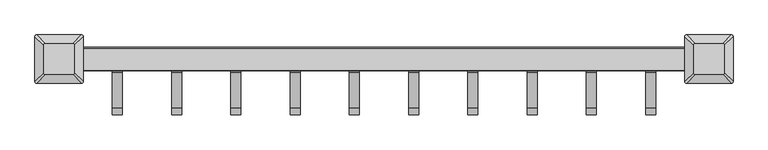
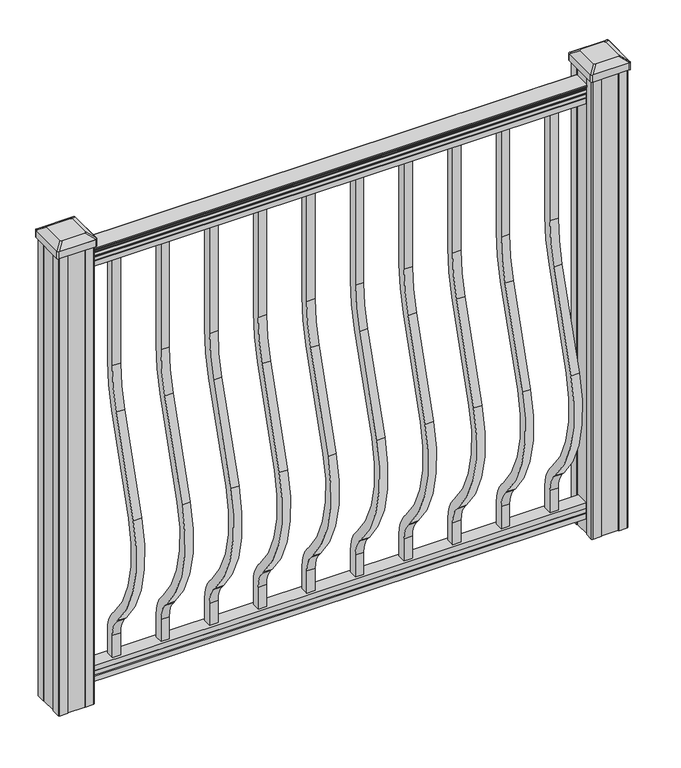
"""IFC4 building model written with IfcOpenShell, lengths in millimetres: proxy geometry."""

from ifc_helpers import new_model, si_unit, point, frame, frame_2d, origin, place, context, project, spatial, polyline, circle_curve, trimmed, segment, composite_curve, outline, extrude, source, transform, mapped, element, save
from ifc_brep_helpers import plane_surface, extruded_surface, advanced_brep


def specialty_equipment_060b37d8(model_context):
    return source(origin(), model_context, "Body", "SolidModel", [
        extrude(outline(composite_curve([segment(polyline([(9.525, 1066.8), (9.525, 806.73216)]), True, "CONTINUOUS"), segment(trimmed(circle_curve(frame_2d((-360.0, 806.73216)), 369.525), [point((9.525, 806.73216))], [point((-6.6214851, 698.6935058))], False, "CARTESIAN"), True, "CONTINUOUS"), segment(polyline([(-6.6214851, 698.6935058), (-74.4487629, 476.8404766)]), True, "CONTINUOUS"), segment(trimmed(circle_curve(frame_2d((184.207766, 397.7612397)), 270.475), [point((-74.4487629, 476.8404766))], [point((-17.4747286, 217.5366659))], True, "CARTESIAN"), True, "CONTINUOUS"), segment(polyline([(-17.4747286, 217.5366659), (-11.9730553, 211.3799518)]), True, "CONTINUOUS"), segment(trimmed(circle_curve(frame_2d((-75.0, 155.0587313)), 84.525), [point((-11.9730553, 211.3799518))], [point((9.525, 155.0587313))], False, "CARTESIAN"), True, "CONTINUOUS"), segment(polyline([(9.525, 155.0587313), (9.525, 101.6), (-9.525, 101.6), (-9.525, 155.0587313)]), True, "CONTINUOUS"), segment(trimmed(circle_curve(frame_2d((-75.0, 155.0587313)), 65.475), [point((-9.525, 155.0587313))], [point((-26.1778858, 198.686438))], True, "CARTESIAN"), True, "CONTINUOUS"), segment(polyline([(-26.1778858, 198.686438), (-31.6795591, 204.8431522)]), True, "CONTINUOUS"), segment(trimmed(circle_curve(frame_2d((184.207766, 397.7612397)), 289.525), [point((-31.6795591, 204.8431522))], [point((-92.6663685, 482.4101576))], False, "CARTESIAN"), True, "CONTINUOUS"), segment(polyline([(-92.6663685, 482.4101576), (-24.8390907, 704.2631868)]), True, "CONTINUOUS"), segment(trimmed(circle_curve(frame_2d((-360.0, 806.73216)), 350.475), [point((-24.8390907, 704.2631868))], [point((-9.525, 806.73216))], True, "CARTESIAN"), True, "CONTINUOUS"), segment(polyline([(-9.525, 806.73216), (-9.525, 1066.8), (9.525, 1066.8)]), True, "CONTINUOUS")], self_intersect=False)), frame((379.4125, 0.0, 0.0), z_axis=(1.0, 0.0, 0.0), x_axis=(0.0, 1.0, 0.0)), (0.0, 0.0, 1.0), 19.05),
        extrude(outline(composite_curve([segment(polyline([(9.525, 1066.8), (9.525, 806.73216)]), True, "CONTINUOUS"), segment(trimmed(circle_curve(frame_2d((-360.0, 806.73216)), 369.525), [point((9.525, 806.73216))], [point((-6.6214851, 698.6935058))], False, "CARTESIAN"), True, "CONTINUOUS"), segment(polyline([(-6.6214851, 698.6935058), (-74.4487629, 476.8404766)]), True, "CONTINUOUS"), segment(trimmed(circle_curve(frame_2d((184.207766, 397.7612397)), 270.475), [point((-74.4487629, 476.8404766))], [point((-17.4747286, 217.5366659))], True, "CARTESIAN"), True, "CONTINUOUS"), segment(polyline([(-17.4747286, 217.5366659), (-11.9730553, 211.3799518)]), True, "CONTINUOUS"), segment(trimmed(circle_curve(frame_2d((-75.0, 155.0587313)), 84.525), [point((-11.9730553, 211.3799518))], [point((9.525, 155.0587313))], False, "CARTESIAN"), True, "CONTINUOUS"), segment(polyline([(9.525, 155.0587313), (9.525, 101.6), (-9.525, 101.6), (-9.525, 155.0587313)]), True, "CONTINUOUS"), segment(trimmed(circle_curve(frame_2d((-75.0, 155.0587313)), 65.475), [point((-9.525, 155.0587313))], [point((-26.1778858, 198.686438))], True, "CARTESIAN"), True, "CONTINUOUS"), segment(polyline([(-26.1778858, 198.686438), (-31.6795591, 204.8431522)]), True, "CONTINUOUS"), segment(trimmed(circle_curve(frame_2d((184.207766, 397.7612397)), 289.525), [point((-31.6795591, 204.8431522))], [point((-92.6663685, 482.4101576))], False, "CARTESIAN"), True, "CONTINUOUS"), segment(polyline([(-92.6663685, 482.4101576), (-24.8390907, 704.2631868)]), True, "CONTINUOUS"), segment(trimmed(circle_curve(frame_2d((-360.0, 806.73216)), 350.475), [point((-24.8390907, 704.2631868))], [point((-9.525, 806.73216))], True, "CARTESIAN"), True, "CONTINUOUS"), segment(polyline([(-9.525, 806.73216), (-9.525, 1066.8), (9.525, 1066.8)]), True, "CONTINUOUS")], self_intersect=False)), frame((268.2875, 0.0, 0.0), z_axis=(1.0, 0.0, 0.0), x_axis=(0.0, 1.0, 0.0)), (0.0, 0.0, 1.0), 19.05),
        extrude(outline(composite_curve([segment(polyline([(9.525, 1066.8), (9.525, 806.73216)]), True, "CONTINUOUS"), segment(trimmed(circle_curve(frame_2d((-360.0, 806.73216)), 369.525), [point((9.525, 806.73216))], [point((-6.6214851, 698.6935058))], False, "CARTESIAN"), True, "CONTINUOUS"), segment(polyline([(-6.6214851, 698.6935058), (-74.4487629, 476.8404766)]), True, "CONTINUOUS"), segment(trimmed(circle_curve(frame_2d((184.207766, 397.7612397)), 270.475), [point((-74.4487629, 476.8404766))], [point((-17.4747286, 217.5366659))], True, "CARTESIAN"), True, "CONTINUOUS"), segment(polyline([(-17.4747286, 217.5366659), (-11.9730553, 211.3799518)]), True, "CONTINUOUS"), segment(trimmed(circle_curve(frame_2d((-75.0, 155.0587313)), 84.525), [point((-11.9730553, 211.3799518))], [point((9.525, 155.0587313))], False, "CARTESIAN"), True, "CONTINUOUS"), segment(polyline([(9.525, 155.0587313), (9.525, 101.6), (-9.525, 101.6), (-9.525, 155.0587313)]), True, "CONTINUOUS"), segment(trimmed(circle_curve(frame_2d((-75.0, 155.0587313)), 65.475), [point((-9.525, 155.0587313))], [point((-26.1778858, 198.686438))], True, "CARTESIAN"), True, "CONTINUOUS"), segment(polyline([(-26.1778858, 198.686438), (-31.6795591, 204.8431522)]), True, "CONTINUOUS"), segment(trimmed(circle_curve(frame_2d((184.207766, 397.7612397)), 289.525), [point((-31.6795591, 204.8431522))], [point((-92.6663685, 482.4101576))], False, "CARTESIAN"), True, "CONTINUOUS"), segment(polyline([(-92.6663685, 482.4101576), (-24.8390907, 704.2631868)]), True, "CONTINUOUS"), segment(trimmed(circle_curve(frame_2d((-360.0, 806.73216)), 350.475), [point((-24.8390907, 704.2631868))], [point((-9.525, 806.73216))], True, "CARTESIAN"), True, "CONTINUOUS"), segment(polyline([(-9.525, 806.73216), (-9.525, 1066.8), (9.525, 1066.8)]), True, "CONTINUOUS")], self_intersect=False)), frame((157.1625, 0.0, 0.0), z_axis=(1.0, 0.0, 0.0), x_axis=(0.0, 1.0, 0.0)), (0.0, 0.0, 1.0), 19.05),
        extrude(outline(composite_curve([segment(polyline([(9.525, 1066.8), (9.525, 806.73216)]), True, "CONTINUOUS"), segment(trimmed(circle_curve(frame_2d((-360.0, 806.73216)), 369.525), [point((9.525, 806.73216))], [point((-6.6214851, 698.6935058))], False, "CARTESIAN"), True, "CONTINUOUS"), segment(polyline([(-6.6214851, 698.6935058), (-74.4487629, 476.8404766)]), True, "CONTINUOUS"), segment(trimmed(circle_curve(frame_2d((184.207766, 397.7612397)), 270.475), [point((-74.4487629, 476.8404766))], [point((-17.4747286, 217.5366659))], True, "CARTESIAN"), True, "CONTINUOUS"), segment(polyline([(-17.4747286, 217.5366659), (-11.9730553, 211.3799518)]), True, "CONTINUOUS"), segment(trimmed(circle_curve(frame_2d((-75.0, 155.0587313)), 84.525), [point((-11.9730553, 211.3799518))], [point((9.525, 155.0587313))], False, "CARTESIAN"), True, "CONTINUOUS"), segment(polyline([(9.525, 155.0587313), (9.525, 101.6), (-9.525, 101.6), (-9.525, 155.0587313)]), True, "CONTINUOUS"), segment(trimmed(circle_curve(frame_2d((-75.0, 155.0587313)), 65.475), [point((-9.525, 155.0587313))], [point((-26.1778858, 198.686438))], True, "CARTESIAN"), True, "CONTINUOUS"), segment(polyline([(-26.1778858, 198.686438), (-31.6795591, 204.8431522)]), True, "CONTINUOUS"), segment(trimmed(circle_curve(frame_2d((184.207766, 397.7612397)), 289.525), [point((-31.6795591, 204.8431522))], [point((-92.6663685, 482.4101576))], False, "CARTESIAN"), True, "CONTINUOUS"), segment(polyline([(-92.6663685, 482.4101576), (-24.8390907, 704.2631868)]), True, "CONTINUOUS"), segment(trimmed(circle_curve(frame_2d((-360.0, 806.73216)), 350.475), [point((-24.8390907, 704.2631868))], [point((-9.525, 806.73216))], True, "CARTESIAN"), True, "CONTINUOUS"), segment(polyline([(-9.525, 806.73216), (-9.525, 1066.8), (9.525, 1066.8)]), True, "CONTINUOUS")], self_intersect=False)), frame((46.0375, 0.0, 0.0), z_axis=(1.0, 0.0, 0.0), x_axis=(0.0, 1.0, 0.0)), (0.0, 0.0, 1.0), 19.05),
        extrude(outline(composite_curve([segment(polyline([(9.525, 1066.8), (9.525, 806.73216)]), True, "CONTINUOUS"), segment(trimmed(circle_curve(frame_2d((-360.0, 806.73216)), 369.525), [point((9.525, 806.73216))], [point((-6.6214851, 698.6935058))], False, "CARTESIAN"), True, "CONTINUOUS"), segment(polyline([(-6.6214851, 698.6935058), (-74.4487629, 476.8404766)]), True, "CONTINUOUS"), segment(trimmed(circle_curve(frame_2d((184.207766, 397.7612397)), 270.475), [point((-74.4487629, 476.8404766))], [point((-17.4747286, 217.5366659))], True, "CARTESIAN"), True, "CONTINUOUS"), segment(polyline([(-17.4747286, 217.5366659), (-11.9730553, 211.3799518)]), True, "CONTINUOUS"), segment(trimmed(circle_curve(frame_2d((-75.0, 155.0587313)), 84.525), [point((-11.9730553, 211.3799518))], [point((9.525, 155.0587313))], False, "CARTESIAN"), True, "CONTINUOUS"), segment(polyline([(9.525, 155.0587313), (9.525, 101.6), (-9.525, 101.6), (-9.525, 155.0587313)]), True, "CONTINUOUS"), segment(trimmed(circle_curve(frame_2d((-75.0, 155.0587313)), 65.475), [point((-9.525, 155.0587313))], [point((-26.1778858, 198.686438))], True, "CARTESIAN"), True, "CONTINUOUS"), segment(polyline([(-26.1778858, 198.686438), (-31.6795591, 204.8431522)]), True, "CONTINUOUS"), segment(trimmed(circle_curve(frame_2d((184.207766, 397.7612397)), 289.525), [point((-31.6795591, 204.8431522))], [point((-92.6663685, 482.4101576))], False, "CARTESIAN"), True, "CONTINUOUS"), segment(polyline([(-92.6663685, 482.4101576), (-24.8390907, 704.2631868)]), True, "CONTINUOUS"), segment(trimmed(circle_curve(frame_2d((-360.0, 806.73216)), 350.475), [point((-24.8390907, 704.2631868))], [point((-9.525, 806.73216))], True, "CARTESIAN"), True, "CONTINUOUS"), segment(polyline([(-9.525, 806.73216), (-9.525, 1066.8), (9.525, 1066.8)]), True, "CONTINUOUS")], self_intersect=False)), frame((-65.0875, 0.0, 0.0), z_axis=(1.0, 0.0, 0.0), x_axis=(0.0, 1.0, 0.0)), (0.0, 0.0, 1.0), 19.05),
        extrude(outline(composite_curve([segment(polyline([(9.525, 1066.8), (9.525, 806.73216)]), True, "CONTINUOUS"), segment(trimmed(circle_curve(frame_2d((-360.0, 806.73216)), 369.525), [point((9.525, 806.73216))], [point((-6.6214851, 698.6935058))], False, "CARTESIAN"), True, "CONTINUOUS"), segment(polyline([(-6.6214851, 698.6935058), (-74.4487629, 476.8404766)]), True, "CONTINUOUS"), segment(trimmed(circle_curve(frame_2d((184.207766, 397.7612397)), 270.475), [point((-74.4487629, 476.8404766))], [point((-17.4747286, 217.5366659))], True, "CARTESIAN"), True, "CONTINUOUS"), segment(polyline([(-17.4747286, 217.5366659), (-11.9730553, 211.3799518)]), True, "CONTINUOUS"), segment(trimmed(circle_curve(frame_2d((-75.0, 155.0587313)), 84.525), [point((-11.9730553, 211.3799518))], [point((9.525, 155.0587313))], False, "CARTESIAN"), True, "CONTINUOUS"), segment(polyline([(9.525, 155.0587313), (9.525, 101.6), (-9.525, 101.6), (-9.525, 155.0587313)]), True, "CONTINUOUS"), segment(trimmed(circle_curve(frame_2d((-75.0, 155.0587313)), 65.475), [point((-9.525, 155.0587313))], [point((-26.1778858, 198.686438))], True, "CARTESIAN"), True, "CONTINUOUS"), segment(polyline([(-26.1778858, 198.686438), (-31.6795591, 204.8431522)]), True, "CONTINUOUS"), segment(trimmed(circle_curve(frame_2d((184.207766, 397.7612397)), 289.525), [point((-31.6795591, 204.8431522))], [point((-92.6663685, 482.4101576))], False, "CARTESIAN"), True, "CONTINUOUS"), segment(polyline([(-92.6663685, 482.4101576), (-24.8390907, 704.2631868)]), True, "CONTINUOUS"), segment(trimmed(circle_curve(frame_2d((-360.0, 806.73216)), 350.475), [point((-24.8390907, 704.2631868))], [point((-9.525, 806.73216))], True, "CARTESIAN"), True, "CONTINUOUS"), segment(polyline([(-9.525, 806.73216), (-9.525, 1066.8), (9.525, 1066.8)]), True, "CONTINUOUS")], self_intersect=False)), frame((-176.2125, 0.0, 0.0), z_axis=(1.0, 0.0, 0.0), x_axis=(0.0, 1.0, 0.0)), (0.0, 0.0, 1.0), 19.05),
        extrude(outline(composite_curve([segment(polyline([(9.525, 1066.8), (9.525, 806.73216)]), True, "CONTINUOUS"), segment(trimmed(circle_curve(frame_2d((-360.0, 806.73216)), 369.525), [point((9.525, 806.73216))], [point((-6.6214851, 698.6935058))], False, "CARTESIAN"), True, "CONTINUOUS"), segment(polyline([(-6.6214851, 698.6935058), (-74.4487629, 476.8404766)]), True, "CONTINUOUS"), segment(trimmed(circle_curve(frame_2d((184.207766, 397.7612397)), 270.475), [point((-74.4487629, 476.8404766))], [point((-17.4747286, 217.5366659))], True, "CARTESIAN"), True, "CONTINUOUS"), segment(polyline([(-17.4747286, 217.5366659), (-11.9730553, 211.3799518)]), True, "CONTINUOUS"), segment(trimmed(circle_curve(frame_2d((-75.0, 155.0587313)), 84.525), [point((-11.9730553, 211.3799518))], [point((9.525, 155.0587313))], False, "CARTESIAN"), True, "CONTINUOUS"), segment(polyline([(9.525, 155.0587313), (9.525, 101.6), (-9.525, 101.6), (-9.525, 155.0587313)]), True, "CONTINUOUS"), segment(trimmed(circle_curve(frame_2d((-75.0, 155.0587313)), 65.475), [point((-9.525, 155.0587313))], [point((-26.1778858, 198.686438))], True, "CARTESIAN"), True, "CONTINUOUS"), segment(polyline([(-26.1778858, 198.686438), (-31.6795591, 204.8431522)]), True, "CONTINUOUS"), segment(trimmed(circle_curve(frame_2d((184.207766, 397.7612397)), 289.525), [point((-31.6795591, 204.8431522))], [point((-92.6663685, 482.4101576))], False, "CARTESIAN"), True, "CONTINUOUS"), segment(polyline([(-92.6663685, 482.4101576), (-24.8390907, 704.2631868)]), True, "CONTINUOUS"), segment(trimmed(circle_curve(frame_2d((-360.0, 806.73216)), 350.475), [point((-24.8390907, 704.2631868))], [point((-9.525, 806.73216))], True, "CARTESIAN"), True, "CONTINUOUS"), segment(polyline([(-9.525, 806.73216), (-9.525, 1066.8), (9.525, 1066.8)]), True, "CONTINUOUS")], self_intersect=False)), frame((-287.3375, 0.0, 0.0), z_axis=(1.0, 0.0, 0.0), x_axis=(0.0, 1.0, 0.0)), (0.0, 0.0, 1.0), 19.05),
        extrude(outline(composite_curve([segment(polyline([(9.525, 1066.8), (9.525, 806.73216)]), True, "CONTINUOUS"), segment(trimmed(circle_curve(frame_2d((-360.0, 806.73216)), 369.525), [point((9.525, 806.73216))], [point((-6.6214851, 698.6935058))], False, "CARTESIAN"), True, "CONTINUOUS"), segment(polyline([(-6.6214851, 698.6935058), (-74.4487629, 476.8404766)]), True, "CONTINUOUS"), segment(trimmed(circle_curve(frame_2d((184.207766, 397.7612397)), 270.475), [point((-74.4487629, 476.8404766))], [point((-17.4747286, 217.5366659))], True, "CARTESIAN"), True, "CONTINUOUS"), segment(polyline([(-17.4747286, 217.5366659), (-11.9730553, 211.3799518)]), True, "CONTINUOUS"), segment(trimmed(circle_curve(frame_2d((-75.0, 155.0587313)), 84.525), [point((-11.9730553, 211.3799518))], [point((9.525, 155.0587313))], False, "CARTESIAN"), True, "CONTINUOUS"), segment(polyline([(9.525, 155.0587313), (9.525, 101.6), (-9.525, 101.6), (-9.525, 155.0587313)]), True, "CONTINUOUS"), segment(trimmed(circle_curve(frame_2d((-75.0, 155.0587313)), 65.475), [point((-9.525, 155.0587313))], [point((-26.1778858, 198.686438))], True, "CARTESIAN"), True, "CONTINUOUS"), segment(polyline([(-26.1778858, 198.686438), (-31.6795591, 204.8431522)]), True, "CONTINUOUS"), segment(trimmed(circle_curve(frame_2d((184.207766, 397.7612397)), 289.525), [point((-31.6795591, 204.8431522))], [point((-92.6663685, 482.4101576))], False, "CARTESIAN"), True, "CONTINUOUS"), segment(polyline([(-92.6663685, 482.4101576), (-24.8390907, 704.2631868)]), True, "CONTINUOUS"), segment(trimmed(circle_curve(frame_2d((-360.0, 806.73216)), 350.475), [point((-24.8390907, 704.2631868))], [point((-9.525, 806.73216))], True, "CARTESIAN"), True, "CONTINUOUS"), segment(polyline([(-9.525, 806.73216), (-9.525, 1066.8), (9.525, 1066.8)]), True, "CONTINUOUS")], self_intersect=False)), frame((-398.4625, 0.0, 0.0), z_axis=(1.0, 0.0, 0.0), x_axis=(0.0, 1.0, 0.0)), (0.0, 0.0, 1.0), 19.05),
        extrude(outline(composite_curve([segment(polyline([(9.525, 1066.8), (9.525, 806.73216)]), True, "CONTINUOUS"), segment(trimmed(circle_curve(frame_2d((-360.0, 806.73216)), 369.525), [point((9.525, 806.73216))], [point((-6.6214851, 698.6935058))], False, "CARTESIAN"), True, "CONTINUOUS"), segment(polyline([(-6.6214851, 698.6935058), (-74.4487629, 476.8404766)]), True, "CONTINUOUS"), segment(trimmed(circle_curve(frame_2d((184.207766, 397.7612397)), 270.475), [point((-74.4487629, 476.8404766))], [point((-17.4747286, 217.5366659))], True, "CARTESIAN"), True, "CONTINUOUS"), segment(polyline([(-17.4747286, 217.5366659), (-11.9730553, 211.3799518)]), True, "CONTINUOUS"), segment(trimmed(circle_curve(frame_2d((-75.0, 155.0587313)), 84.525), [point((-11.9730553, 211.3799518))], [point((9.525, 155.0587313))], False, "CARTESIAN"), True, "CONTINUOUS"), segment(polyline([(9.525, 155.0587313), (9.525, 101.6), (-9.525, 101.6), (-9.525, 155.0587313)]), True, "CONTINUOUS"), segment(trimmed(circle_curve(frame_2d((-75.0, 155.0587313)), 65.475), [point((-9.525, 155.0587313))], [point((-26.1778858, 198.686438))], True, "CARTESIAN"), True, "CONTINUOUS"), segment(polyline([(-26.1778858, 198.686438), (-31.6795591, 204.8431522)]), True, "CONTINUOUS"), segment(trimmed(circle_curve(frame_2d((184.207766, 397.7612397)), 289.525), [point((-31.6795591, 204.8431522))], [point((-92.6663685, 482.4101576))], False, "CARTESIAN"), True, "CONTINUOUS"), segment(polyline([(-92.6663685, 482.4101576), (-24.8390907, 704.2631868)]), True, "CONTINUOUS"), segment(trimmed(circle_curve(frame_2d((-360.0, 806.73216)), 350.475), [point((-24.8390907, 704.2631868))], [point((-9.525, 806.73216))], True, "CARTESIAN"), True, "CONTINUOUS"), segment(polyline([(-9.525, 806.73216), (-9.525, 1066.8), (9.525, 1066.8)]), True, "CONTINUOUS")], self_intersect=False)), frame((490.5375, 0.0, 0.0), z_axis=(1.0, 0.0, 0.0), x_axis=(0.0, 1.0, 0.0)), (0.0, 0.0, 1.0), 19.05),
        extrude(outline(composite_curve([segment(polyline([(9.525, 1066.8), (9.525, 806.73216)]), True, "CONTINUOUS"), segment(trimmed(circle_curve(frame_2d((-360.0, 806.73216)), 369.525), [point((9.525, 806.73216))], [point((-6.6214851, 698.6935058))], False, "CARTESIAN"), True, "CONTINUOUS"), segment(polyline([(-6.6214851, 698.6935058), (-74.4487629, 476.8404766)]), True, "CONTINUOUS"), segment(trimmed(circle_curve(frame_2d((184.207766, 397.7612397)), 270.475), [point((-74.4487629, 476.8404766))], [point((-17.4747286, 217.5366659))], True, "CARTESIAN"), True, "CONTINUOUS"), segment(polyline([(-17.4747286, 217.5366659), (-11.9730553, 211.3799518)]), True, "CONTINUOUS"), segment(trimmed(circle_curve(frame_2d((-75.0, 155.0587313)), 84.525), [point((-11.9730553, 211.3799518))], [point((9.525, 155.0587313))], False, "CARTESIAN"), True, "CONTINUOUS"), segment(polyline([(9.525, 155.0587313), (9.525, 101.6), (-9.525, 101.6), (-9.525, 155.0587313)]), True, "CONTINUOUS"), segment(trimmed(circle_curve(frame_2d((-75.0, 155.0587313)), 65.475), [point((-9.525, 155.0587313))], [point((-26.1778858, 198.686438))], True, "CARTESIAN"), True, "CONTINUOUS"), segment(polyline([(-26.1778858, 198.686438), (-31.6795591, 204.8431522)]), True, "CONTINUOUS"), segment(trimmed(circle_curve(frame_2d((184.207766, 397.7612397)), 289.525), [point((-31.6795591, 204.8431522))], [point((-92.6663685, 482.4101576))], False, "CARTESIAN"), True, "CONTINUOUS"), segment(polyline([(-92.6663685, 482.4101576), (-24.8390907, 704.2631868)]), True, "CONTINUOUS"), segment(trimmed(circle_curve(frame_2d((-360.0, 806.73216)), 350.475), [point((-24.8390907, 704.2631868))], [point((-9.525, 806.73216))], True, "CARTESIAN"), True, "CONTINUOUS"), segment(polyline([(-9.525, 806.73216), (-9.525, 1066.8), (9.525, 1066.8)]), True, "CONTINUOUS")], self_intersect=False)), frame((-509.5875, 0.0, 0.0), z_axis=(1.0, 0.0, 0.0), x_axis=(0.0, 1.0, 0.0)), (0.0, 0.0, 1.0), 19.05),
        extrude(outline(composite_curve([segment(polyline([(1090.8043297, 17.4328287), (1092.692412, 17.4328287)]), True, "CONTINUOUS"), segment(trimmed(circle_curve(frame_2d((1098.4506383, 11.1180755)), 8.545951), [point((1092.692412, 17.4328287))], [point((1094.2546695, 18.563015))], False, "CARTESIAN"), True, "CONTINUOUS"), segment(trimmed(circle_curve(frame_2d((1097.8636577, 11.5551384)), 7.882584), [point((1094.2546695, 18.563015))], [point((1101.4726458, 18.563015))], False, "CARTESIAN"), True, "CONTINUOUS"), segment(trimmed(circle_curve(frame_2d((1103.7112527, 22.0684625)), 4.1592695), [point((1101.4726458, 18.563015))], [point((1103.9060812, 17.9137586))], True, "CARTESIAN"), True, "CONTINUOUS"), segment(trimmed(circle_curve(frame_2d((1103.6508864, 23.3557691)), 5.4479907), [point((1103.9060812, 17.9137586))], [point((1108.2362083, 20.4137586))], True, "CARTESIAN"), True, "CONTINUOUS"), segment(trimmed(circle_curve(frame_2d((1108.233395, 22.1226107)), 1.7088543), [point((1108.2362083, 20.4137586))], [point((1109.9157972, 21.8231011))], True, "CARTESIAN"), True, "CONTINUOUS"), segment(trimmed(circle_curve(frame_2d((1111.0205318, 20.5057106)), 1.7192895), [point((1109.9157972, 21.8231011))], [point((1111.0205318, 22.2250001))], False, "CARTESIAN"), True, "CONTINUOUS"), segment(polyline([(1111.0205318, 22.2250001), (1112.3608158, 22.225)]), True, "CONTINUOUS"), segment(trimmed(circle_curve(frame_2d((1112.3608158, 20.6715528)), 1.5534472), [point((1112.3608158, 22.225))], [point((1113.914263, 20.6715528))], False, "CARTESIAN"), True, "CONTINUOUS"), segment(polyline([(1113.914263, 20.6715528), (1113.914263, -20.6715528)]), True, "CONTINUOUS"), segment(trimmed(circle_curve(frame_2d((1112.3608158, -20.6715528)), 1.5534472), [point((1113.914263, -20.6715528))], [point((1112.3608158, -22.225))], False, "CARTESIAN"), True, "CONTINUOUS"), segment(polyline([(1112.3608158, -22.225), (1111.0205318, -22.225)]), True, "CONTINUOUS"), segment(trimmed(circle_curve(frame_2d((1111.0205318, -20.5057106)), 1.7192895), [point((1111.0205318, -22.225))], [point((1109.9157972, -21.8231011))], False, "CARTESIAN"), True, "CONTINUOUS"), segment(trimmed(circle_curve(frame_2d((1108.233395, -22.1226107)), 1.7088543), [point((1109.9157972, -21.8231011))], [point((1108.2362083, -20.4137586))], True, "CARTESIAN"), True, "CONTINUOUS"), segment(trimmed(circle_curve(frame_2d((1103.6508864, -23.3557691)), 5.4479907), [point((1108.2362083, -20.4137586))], [point((1103.9060812, -17.9137586))], True, "CARTESIAN"), True, "CONTINUOUS"), segment(trimmed(circle_curve(frame_2d((1103.7112527, -22.0684625)), 4.1592695), [point((1103.9060812, -17.9137586))], [point((1101.4726458, -18.563015))], True, "CARTESIAN"), True, "CONTINUOUS"), segment(trimmed(circle_curve(frame_2d((1097.8636577, -11.5551384)), 7.882584), [point((1101.4726458, -18.563015))], [point((1094.2546695, -18.563015))], False, "CARTESIAN"), True, "CONTINUOUS"), segment(trimmed(circle_curve(frame_2d((1098.4506383, -11.1180755)), 8.545951), [point((1094.2546695, -18.563015))], [point((1092.692412, -17.4328287))], False, "CARTESIAN"), True, "CONTINUOUS"), segment(polyline([(1092.692412, -17.4328287), (1090.8043297, -17.4328287)]), True, "CONTINUOUS"), segment(trimmed(circle_curve(frame_2d((1090.8043297, -16.1459144)), 1.2869144), [point((1090.8043297, -17.4328287))], [point((1090.8043297, -14.859))], False, "CARTESIAN"), True, "CONTINUOUS"), segment(polyline([(1090.8043297, -14.859), (1080.3048283, -14.859), (1079.2888283, -15.875), (1066.8, -15.875), (1066.8, 15.875), (1079.131013, 15.875), (1080.147013, 14.859), (1090.8043297, 14.859)]), True, "CONTINUOUS"), segment(trimmed(circle_curve(frame_2d((1090.8043297, 16.1459144)), 1.2869144), [point((1090.8043297, 14.859))], [point((1090.8043297, 17.4328287))], False, "CARTESIAN"), True, "CONTINUOUS")], self_intersect=False)), frame((609.6, 0.0, 0.0), z_axis=(-1.0, 0.0, 0.0), x_axis=(0.0, 0.0, 1.0)), (0.0, 0.0, 1.0), 1219.2),
        extrude(outline(polyline([(-15.9124869, 76.0541976), (-14.8964869, 77.3546183), (-14.8964869, 87.7141717), (-15.9124869, 89.0624492), (-15.9124869, 101.5958781), (15.8375131, 101.5958781), (15.8375131, 89.0458024), (14.8215131, 87.6975248), (14.8215131, 77.3858283), (15.8375131, 76.0375508), (15.8375131, 63.5), (-15.9124869, 63.5), (-15.9124869, 76.0541976)])), frame((-609.6, 0.0, 0.0), z_axis=(1.0, 0.0, 0.0), x_axis=(0.0, 1.0, 0.0)), (0.0, 0.0, 1.0), 1219.2),
        advanced_brep(
        [(583.803125, 28.971875, 1165.225), (580.628125, 25.796875, 1165.225), (580.628125, -25.796875, 1165.225), (583.803125, -28.971875, 1165.225), (635.396875, -28.971875, 1165.225), (638.571875, -25.796875, 1165.225), (638.571875, 25.796875, 1165.225), (635.396875, 28.971875, 1165.225), (567.53125, 45.24375, 1153.922), (651.66875, 45.24375, 1153.922), (654.84375, 42.06875, 1153.922), (654.84375, -42.06875, 1153.922), (651.66875, -45.24375, 1153.922), (567.53125, -45.24375, 1153.922), (564.35625, -42.06875, 1153.922), (564.35625, 42.06875, 1153.922)],
        [
            (0, 1, circle_curve(frame((583.803125, 25.796875, 1165.225), z_axis=(0.0, 0.0, 1.0), x_axis=(0.0, -1.0, 0.0)), 3.175)),
            (1, 2),
            (2, 3, circle_curve(frame((583.803125, -25.796875, 1165.225), z_axis=(0.0, 0.0, 1.0), x_axis=(0.0, -1.0, 0.0)), 3.175)),
            (3, 4),
            (4, 5, circle_curve(frame((635.396875, -25.796875, 1165.225), z_axis=(0.0, 0.0, 1.0), x_axis=(0.0, -1.0, 0.0)), 3.175)),
            (5, 6),
            (6, 7, circle_curve(frame((635.396875, 25.796875, 1165.225), z_axis=(0.0, 0.0, 1.0), x_axis=(0.0, -1.0, 0.0)), 3.175)),
            (7, 0),
            (8, 9),
            (9, 10, circle_curve(frame((651.66875, 42.06875, 1153.922), z_axis=(0.0, 0.0, -1.0), x_axis=(0.0, -1.0, 0.0)), 3.175)),
            (10, 11),
            (11, 12, circle_curve(frame((651.66875, -42.06875, 1153.922), z_axis=(0.0, 0.0, -1.0), x_axis=(0.0, -1.0, 0.0)), 3.175)),
            (12, 13),
            (13, 14, circle_curve(frame((567.53125, -42.06875, 1153.922), z_axis=(0.0, 0.0, -1.0), x_axis=(0.0, -1.0, 0.0)), 3.175)),
            (14, 15),
            (15, 8, circle_curve(frame((567.53125, 42.06875, 1153.922), z_axis=(0.0, 0.0, -1.0), x_axis=(0.0, -1.0, 0.0)), 3.175)),
            (15, 1),
            (0, 8),
            (14, 2),
            (13, 3),
            (12, 4),
            (11, 5),
            (10, 6),
            (9, 7),
        ],
        [
            plane_surface(frame((609.6, 0.0, 1165.225), z_axis=(0.0, 0.0, 1.0), x_axis=(-1.0, 0.0, 0.0))),
            plane_surface(frame((609.6, 0.0, 1153.922), z_axis=(0.0, 0.0, -1.0), x_axis=(-1.0, 0.0, 0.0))),
            extruded_surface(trimmed(circle_curve(frame((567.53125, 42.06875, 1153.922), z_axis=(0.0, 0.0, 1.0), x_axis=(0.0, -1.0, 0.0)), 3.175), [point((567.53125, 45.24375, 1153.922))], [point((564.35625, 42.06875, 1153.922))], True, "CARTESIAN"), (16.271875000000023, -16.271875, 11.302999999999884), 25.637972638866128),
            plane_surface(frame((564.35625, 0.0, 1153.922), z_axis=(-0.5705009161540777, 0.0, 0.8212969649690409), x_axis=(0.0, -1.0, 0.0))),
            extruded_surface(trimmed(circle_curve(frame((567.53125, -42.06875, 1153.922), z_axis=(0.0, 0.0, 1.0), x_axis=(0.0, -1.0, 0.0)), 3.175), [point((564.35625, -42.06875, 1153.922))], [point((567.53125, -45.24375, 1153.922))], True, "CARTESIAN"), (16.271875000000023, 16.271875, 11.302999999999884), 25.637972638866128),
            plane_surface(frame((609.6, -45.24375, 1153.922), z_axis=(0.0, -0.5705009161540291, 0.8212969649690747), x_axis=(1.0, 0.0, 0.0))),
            extruded_surface(trimmed(circle_curve(frame((651.66875, -42.06875, 1153.922), z_axis=(0.0, 0.0, 1.0), x_axis=(0.0, -1.0, 0.0)), 3.175), [point((651.66875, -45.24375, 1153.922))], [point((654.84375, -42.06875, 1153.922))], True, "CARTESIAN"), (-16.271875000000023, 16.271875, 11.302999999999884), 25.637972638866128),
            plane_surface(frame((654.84375, 0.0, 1153.922), z_axis=(0.5705009161540143, 0.0, 0.821296964969085), x_axis=(0.0, 1.0, 0.0))),
            extruded_surface(trimmed(circle_curve(frame((651.66875, 42.06875, 1153.922), z_axis=(0.0, 0.0, 1.0), x_axis=(0.0, -1.0, 0.0)), 3.175), [point((654.84375, 42.06875, 1153.922))], [point((651.66875, 45.24375, 1153.922))], True, "CARTESIAN"), (-16.271875000000023, -16.271875, 11.302999999999884), 25.637972638866128),
            plane_surface(frame((609.6, 45.24375, 1153.922), z_axis=(0.0, 0.570500916154034, 0.8212969649690713), x_axis=(-1.0, 0.0, 0.0))),
        ],
        [
            (0, [[1, 2, 3, 4, 5, 6, 7, 8]]),
            (1, [[9, 10, 11, 12, 13, 14, 15, 16]]),
            (2, [[-16, 17, -1, 18]]),
            (3, [[-15, 19, -2, -17]]),
            (4, [[-14, 20, -3, -19]]),
            (5, [[-13, 21, -4, -20]]),
            (6, [[-12, 22, -5, -21]]),
            (7, [[-11, 23, -6, -22]]),
            (8, [[-10, 24, -7, -23]]),
            (9, [[-9, -18, -8, -24]]),
        ],
    ),
        extrude(outline(composite_curve([segment(polyline([(567.53125, 45.24375), (651.66875, 45.24375)]), True, "CONTINUOUS"), segment(trimmed(circle_curve(frame_2d((651.66875, 42.06875)), 3.175), [point((651.66875, 45.24375))], [point((654.84375, 42.06875))], False, "CARTESIAN"), True, "CONTINUOUS"), segment(polyline([(654.84375, 42.06875), (654.84375, -42.06875)]), True, "CONTINUOUS"), segment(trimmed(circle_curve(frame_2d((651.66875, -42.06875)), 3.175), [point((654.84375, -42.06875))], [point((651.66875, -45.24375))], False, "CARTESIAN"), True, "CONTINUOUS"), segment(polyline([(651.66875, -45.24375), (567.53125, -45.24375)]), True, "CONTINUOUS"), segment(trimmed(circle_curve(frame_2d((567.53125, -42.06875)), 3.175), [point((567.53125, -45.24375))], [point((564.35625, -42.06875))], False, "CARTESIAN"), True, "CONTINUOUS"), segment(polyline([(564.35625, -42.06875), (564.35625, 42.06875)]), True, "CONTINUOUS"), segment(trimmed(circle_curve(frame_2d((567.53125, 42.06875)), 3.175), [point((564.35625, 42.06875))], [point((567.53125, 45.24375))], False, "CARTESIAN"), True, "CONTINUOUS")], self_intersect=False)), frame((0.0, 0.0, 1136.65), z_axis=(0.0, 0.0, 1.0), x_axis=(1.0, 0.0, 0.0)), (0.0, 0.0, 1.0), 17.272),
        extrude(outline(polyline([(569.9125, 41.275), (589.534, 41.275), (590.296, 39.6875), (628.904, 39.6875), (629.666, 41.275), (649.2875, 41.275), (650.875, 39.6875), (650.875, 20.066), (649.2875, 19.304), (649.2875, -19.304), (650.875, -20.066), (650.875, -39.6875), (649.2875, -41.275), (629.666, -41.275), (628.904, -39.6875), (590.296, -39.6875), (589.534, -41.275), (569.9125, -41.275), (568.325, -39.6875), (568.325, -20.066), (569.9125, -19.304), (569.9125, 19.304), (568.325, 20.066), (568.325, 39.6875), (569.9125, 41.275)])), frame((0.0, 0.0, 28.575), z_axis=(0.0, 0.0, 1.0), x_axis=(1.0, 0.0, 0.0)), (0.0, 0.0, 1.0), 1108.075),
        advanced_brep(
        [(-635.396875, 28.971875, 1165.225), (-638.571875, 25.796875, 1165.225), (-638.571875, -25.796875, 1165.225), (-635.396875, -28.971875, 1165.225), (-583.803125, -28.971875, 1165.225), (-580.628125, -25.796875, 1165.225), (-580.628125, 25.796875, 1165.225), (-583.803125, 28.971875, 1165.225), (-651.66875, 45.24375, 1153.922), (-567.53125, 45.24375, 1153.922), (-564.35625, 42.06875, 1153.922), (-564.35625, -42.06875, 1153.922), (-567.53125, -45.24375, 1153.922), (-651.66875, -45.24375, 1153.922), (-654.84375, -42.06875, 1153.922), (-654.84375, 42.06875, 1153.922)],
        [
            (0, 1, circle_curve(frame((-635.396875, 25.796875, 1165.225), z_axis=(0.0, 0.0, 1.0), x_axis=(0.0, -1.0, 0.0)), 3.175)),
            (1, 2),
            (2, 3, circle_curve(frame((-635.396875, -25.796875, 1165.225), z_axis=(0.0, 0.0, 1.0), x_axis=(0.0, -1.0, 0.0)), 3.175)),
            (3, 4),
            (4, 5, circle_curve(frame((-583.803125, -25.796875, 1165.225), z_axis=(0.0, 0.0, 1.0), x_axis=(0.0, -1.0, 0.0)), 3.175)),
            (5, 6),
            (6, 7, circle_curve(frame((-583.803125, 25.796875, 1165.225), z_axis=(0.0, 0.0, 1.0), x_axis=(0.0, -1.0, 0.0)), 3.175)),
            (7, 0),
            (8, 9),
            (9, 10, circle_curve(frame((-567.53125, 42.06875, 1153.922), z_axis=(0.0, 0.0, -1.0), x_axis=(0.0, -1.0, 0.0)), 3.175)),
            (10, 11),
            (11, 12, circle_curve(frame((-567.53125, -42.06875, 1153.922), z_axis=(0.0, 0.0, -1.0), x_axis=(0.0, -1.0, 0.0)), 3.175)),
            (12, 13),
            (13, 14, circle_curve(frame((-651.66875, -42.06875, 1153.922), z_axis=(0.0, 0.0, -1.0), x_axis=(0.0, -1.0, 0.0)), 3.175)),
            (14, 15),
            (15, 8, circle_curve(frame((-651.66875, 42.06875, 1153.922), z_axis=(0.0, 0.0, -1.0), x_axis=(0.0, -1.0, 0.0)), 3.175)),
            (15, 1),
            (0, 8),
            (14, 2),
            (13, 3),
            (12, 4),
            (11, 5),
            (10, 6),
            (9, 7),
        ],
        [
            plane_surface(frame((-609.6, 0.0, 1165.225), z_axis=(0.0, 0.0, 1.0), x_axis=(-1.0, 0.0, 0.0))),
            plane_surface(frame((-609.6, 0.0, 1153.922), z_axis=(0.0, 0.0, -1.0), x_axis=(-1.0, 0.0, 0.0))),
            extruded_surface(trimmed(circle_curve(frame((-651.66875, 42.06875, 1153.922), z_axis=(0.0, 0.0, 1.0), x_axis=(0.0, -1.0, 0.0)), 3.175), [point((-651.66875, 45.24375, 1153.922))], [point((-654.84375, 42.06875, 1153.922))], True, "CARTESIAN"), (16.271875000000023, -16.271875, 11.302999999999884), 25.637972638866128),
            plane_surface(frame((-654.84375, 0.0, 1153.922), z_axis=(-0.5705009161540777, 0.0, 0.8212969649690409), x_axis=(0.0, -1.0, 0.0))),
            extruded_surface(trimmed(circle_curve(frame((-651.66875, -42.06875, 1153.922), z_axis=(0.0, 0.0, 1.0), x_axis=(0.0, -1.0, 0.0)), 3.175), [point((-654.84375, -42.06875, 1153.922))], [point((-651.66875, -45.24375, 1153.922))], True, "CARTESIAN"), (16.271875000000023, 16.271875, 11.302999999999884), 25.637972638866128),
            plane_surface(frame((-609.6, -45.24375, 1153.922), z_axis=(0.0, -0.5705009161540291, 0.8212969649690747), x_axis=(1.0, 0.0, 0.0))),
            extruded_surface(trimmed(circle_curve(frame((-567.53125, -42.06875, 1153.922), z_axis=(0.0, 0.0, 1.0), x_axis=(0.0, -1.0, 0.0)), 3.175), [point((-567.53125, -45.24375, 1153.922))], [point((-564.35625, -42.06875, 1153.922))], True, "CARTESIAN"), (-16.271875000000023, 16.271875, 11.302999999999884), 25.637972638866128),
            plane_surface(frame((-564.35625, 0.0, 1153.922), z_axis=(0.5705009161540143, 0.0, 0.821296964969085), x_axis=(0.0, 1.0, 0.0))),
            extruded_surface(trimmed(circle_curve(frame((-567.53125, 42.06875, 1153.922), z_axis=(0.0, 0.0, 1.0), x_axis=(0.0, -1.0, 0.0)), 3.175), [point((-564.35625, 42.06875, 1153.922))], [point((-567.53125, 45.24375, 1153.922))], True, "CARTESIAN"), (-16.271875000000023, -16.271875, 11.302999999999884), 25.637972638866128),
            plane_surface(frame((-609.6, 45.24375, 1153.922), z_axis=(0.0, 0.570500916154034, 0.8212969649690713), x_axis=(-1.0, 0.0, 0.0))),
        ],
        [
            (0, [[1, 2, 3, 4, 5, 6, 7, 8]]),
            (1, [[9, 10, 11, 12, 13, 14, 15, 16]]),
            (2, [[-16, 17, -1, 18]]),
            (3, [[-15, 19, -2, -17]]),
            (4, [[-14, 20, -3, -19]]),
            (5, [[-13, 21, -4, -20]]),
            (6, [[-12, 22, -5, -21]]),
            (7, [[-11, 23, -6, -22]]),
            (8, [[-10, 24, -7, -23]]),
            (9, [[-9, -18, -8, -24]]),
        ],
    ),
        extrude(outline(composite_curve([segment(polyline([(-651.66875, 45.24375), (-567.53125, 45.24375)]), True, "CONTINUOUS"), segment(trimmed(circle_curve(frame_2d((-567.53125, 42.06875)), 3.175), [point((-567.53125, 45.24375))], [point((-564.35625, 42.06875))], False, "CARTESIAN"), True, "CONTINUOUS"), segment(polyline([(-564.35625, 42.06875), (-564.35625, -42.06875)]), True, "CONTINUOUS"), segment(trimmed(circle_curve(frame_2d((-567.53125, -42.06875)), 3.175), [point((-564.35625, -42.06875))], [point((-567.53125, -45.24375))], False, "CARTESIAN"), True, "CONTINUOUS"), segment(polyline([(-567.53125, -45.24375), (-651.66875, -45.24375)]), True, "CONTINUOUS"), segment(trimmed(circle_curve(frame_2d((-651.66875, -42.06875)), 3.175), [point((-651.66875, -45.24375))], [point((-654.84375, -42.06875))], False, "CARTESIAN"), True, "CONTINUOUS"), segment(polyline([(-654.84375, -42.06875), (-654.84375, 42.06875)]), True, "CONTINUOUS"), segment(trimmed(circle_curve(frame_2d((-651.66875, 42.06875)), 3.175), [point((-654.84375, 42.06875))], [point((-651.66875, 45.24375))], False, "CARTESIAN"), True, "CONTINUOUS")], self_intersect=False)), frame((0.0, 0.0, 1136.65), z_axis=(0.0, 0.0, 1.0), x_axis=(1.0, 0.0, 0.0)), (0.0, 0.0, 1.0), 17.272),
        extrude(outline(polyline([(-649.2875, 41.275), (-629.666, 41.275), (-628.904, 39.6875), (-590.296, 39.6875), (-589.534, 41.275), (-569.9125, 41.275), (-568.325, 39.6875), (-568.325, 20.066), (-569.9125, 19.304), (-569.9125, -19.304), (-568.325, -20.066), (-568.325, -39.6875), (-569.9125, -41.275), (-589.534, -41.275), (-590.296, -39.6875), (-628.904, -39.6875), (-629.666, -41.275), (-649.2875, -41.275), (-650.875, -39.6875), (-650.875, -20.066), (-649.2875, -19.304), (-649.2875, 19.304), (-650.875, 20.066), (-650.875, 39.6875), (-649.2875, 41.275)])), frame((0.0, 0.0, 28.575), z_axis=(0.0, 0.0, 1.0), x_axis=(1.0, 0.0, 0.0)), (0.0, 0.0, 1.0), 1108.075),
    ])


if __name__ == "__main__":
    model = new_model("IFC4")
    model_context = context("Model", 3, world=origin())
    ifc_project = project(units=[si_unit("LENGTHUNIT", "METRE", prefix="MILLI")], contexts=[model_context])
    site = spatial("IfcSite", under=ifc_project)
    building = spatial("IfcBuilding", under=site)
    placement = place(None, origin())
    specialty_equipment_shape = specialty_equipment_060b37d8(model_context)
    element("IfcBuildingElementProxy", 1, Name="Specialty Equipment", at=placement, inside=building, context=model_context, shape_type="MappedRepresentation", body=[
        mapped(specialty_equipment_shape, transform((0.0, 0.0, 0.0), x_axis=(1.0, 0.0, 0.0), y_axis=(0.0, 1.0, 0.0), z_axis=(0.0, 0.0, 1.0))),
    ])
    save(model, "model.ifc")
